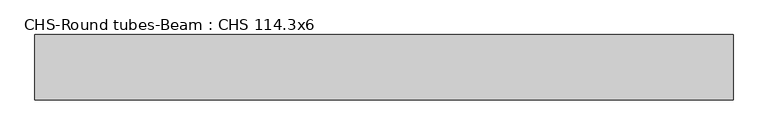
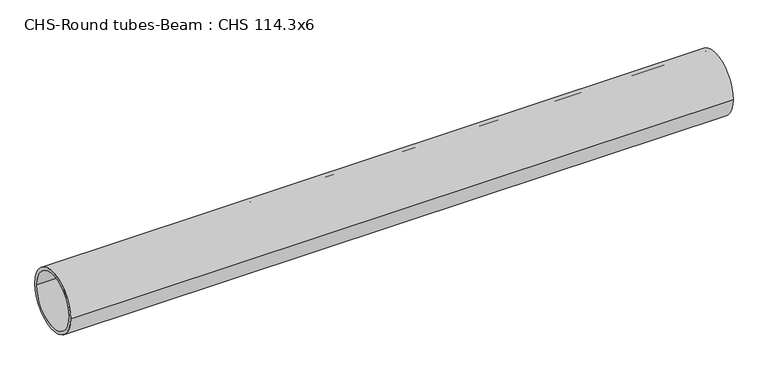
"""IFC4 building model written with IfcOpenShell, lengths in millimetres: beam geometry, CHS-Round tubes-Beam : CHS 114.3x6."""

from ifc_helpers import new_model, si_unit, point, frame, origin, origin_2d, place, context, project, spatial, circle_curve, trimmed, segment, composite_curve, outline, extrude, source, transform, mapped, element, save


def chs_round_tubes_beam_chs_114_3x6_b156f7bb(model_context):
    return source(origin(), model_context, "Body", "SweptSolid", [
        extrude(outline(composite_curve([segment(trimmed(circle_curve(origin_2d(), 57.15), [point((57.15, 0.0))], [point((-57.15, 0.0))], False, "CARTESIAN"), True, "CONTINUOUS"), segment(trimmed(circle_curve(origin_2d(), 57.15), [point((-57.15, 0.0))], [point((57.15, 0.0))], False, "CARTESIAN"), True, "CONTINUOUS")], self_intersect=False), holes=[composite_curve([segment(trimmed(circle_curve(origin_2d(), 51.15), [point((51.15, 0.0))], [point((-51.15, 0.0))], True, "CARTESIAN"), True, "CONTINUOUS"), segment(trimmed(circle_curve(origin_2d(), 51.15), [point((-51.15, 0.0))], [point((51.15, 0.0))], True, "CARTESIAN"), True, "CONTINUOUS")], self_intersect=False)]), frame((-638.1644749, 0.0, 0.0), z_axis=(1.0, 0.0, 0.0), x_axis=(0.0, 1.0, 0.0)), (0.0, 0.0, 1.0), 1223.9252593),
    ])


if __name__ == "__main__":
    model = new_model("IFC4")
    model_context = context("Model", 3, world=origin())
    ifc_project = project(units=[si_unit("LENGTHUNIT", "METRE", prefix="MILLI")], contexts=[model_context])
    site = spatial("IfcSite", under=ifc_project)
    building = spatial("IfcBuilding", under=site)
    placement = place(None, origin())
    chs_round_tubes_beam_chs_114_3x6_shape = chs_round_tubes_beam_chs_114_3x6_b156f7bb(model_context)
    element("IfcBeam", 1, ObjectType="CHS-Round tubes-Beam : CHS 114.3x6", at=placement, inside=building, context=model_context, shape_type="MappedRepresentation", body=[
        mapped(chs_round_tubes_beam_chs_114_3x6_shape, transform((0.0, 0.0, 0.0), x_axis=(1.0, 0.0, 0.0), y_axis=(0.0, 1.0, 0.0), z_axis=(0.0, 0.0, 1.0))),
    ])
    save(model, "model.ifc")
